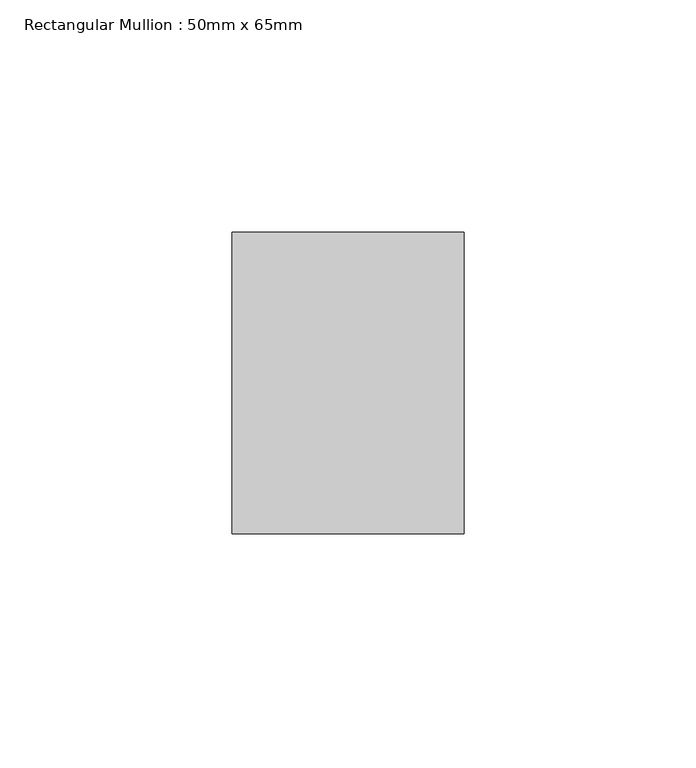
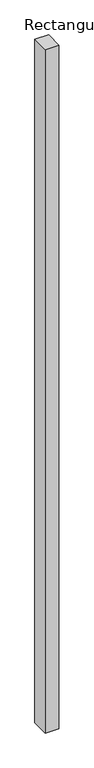
"""IFC4 building model written with IfcOpenShell, lengths in millimetres: member geometry, Rectangular Mullion : 50mm x 65mm."""

from ifc_helpers import new_model, si_unit, frame, origin, place, context, project, spatial, polyline, outline, extrude, source, transform, mapped, element, save


def rectangular_mullion_50mm_x_65mm_1e7eceeb(model_context):
    return source(origin(), model_context, "Body", "SweptSolid", [
        extrude(outline(polyline([(25.0, 32.5), (25.0, -32.5), (-25.0, -32.5), (-25.0, 32.5), (25.0, 32.5)])), frame((0.0, 0.0, -2625.0745382), z_axis=(0.0, 0.0, 1.0), x_axis=(1.0, 0.0, 0.0)), (0.0, 0.0, 1.0), 2625.0745382),
    ])


if __name__ == "__main__":
    model = new_model("IFC4")
    model_context = context("Model", 3, world=origin())
    ifc_project = project(units=[si_unit("LENGTHUNIT", "METRE", prefix="MILLI")], contexts=[model_context])
    site = spatial("IfcSite", under=ifc_project)
    building = spatial("IfcBuilding", under=site)
    placement = place(None, origin())
    rectangular_mullion_50mm_x_65mm_shape = rectangular_mullion_50mm_x_65mm_1e7eceeb(model_context)
    element("IfcMember", 1, ObjectType="Rectangular Mullion : 50mm x 65mm", at=placement, inside=building, context=model_context, shape_type="MappedRepresentation", body=[
        mapped(rectangular_mullion_50mm_x_65mm_shape, transform((0.0, 0.0, 0.0), x_axis=(1.0, 0.0, 0.0), y_axis=(0.0, 1.0, 0.0), z_axis=(0.0, 0.0, 1.0))),
    ])
    save(model, "model.ifc")
